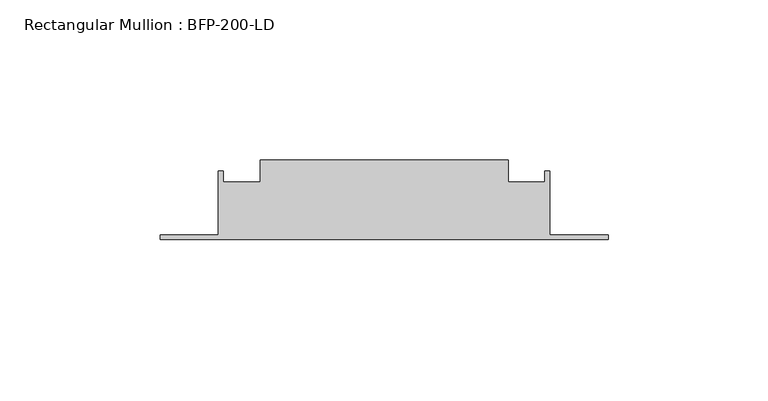
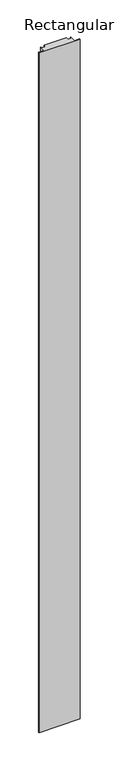
"""IFC4 building model written with IfcOpenShell, lengths in millimetres: member geometry, Rectangular Mullion : BFP-200-LD."""

import ifcopenshell
import ifcopenshell.guid

model = None  # the IFC model being written
_history = None  # IfcOwnerHistory: only IFC2X3 demands one
_inside = {}  # id of a spatial element -> (the spatial element, [elements in it])
_under = {}  # id of a project, library or spatial element -> (it, [spatial elements below it])
_declared = {}  # id of a project -> (the project, [libraries it declares])
_typed = {}  # id of a type object -> (the type object, [elements of that type])
_made_of = {}  # id of a material, layer set ... -> (it, [elements and type objects made of it])


def new_model(schema):
    """Start an empty IFC model of exactly this schema.

    Asked for "IFC4X3", IfcOpenShell would pick the latest addendum, in which some entities
    have other attributes; the version numbers below select the first issue.
    IFC2X3 requires an IfcOwnerHistory on every rooted entity: one is made here for all.
    """
    global model, _history
    if schema == "IFC4X3":
        model = ifcopenshell.file(schema_version=(4, 3, 0, 0))
    else:
        model = ifcopenshell.file(schema=schema)
    _inside.clear()
    _under.clear()
    _declared.clear()
    _typed.clear()
    _made_of.clear()
    _history = None
    if model.schema == "IFC2X3":
        org = make("IfcOrganization", Name="unknown")
        user = make(
            "IfcPersonAndOrganization",
            ThePerson=make("IfcPerson", FamilyName="unknown"),
            TheOrganization=org,
        )
        app = make(
            "IfcApplication",
            ApplicationDeveloper=org,
            Version="unknown",
            ApplicationFullName="unknown",
            ApplicationIdentifier="unknown",
        )
        _history = make(
            "IfcOwnerHistory",
            OwningUser=user,
            OwningApplication=app,
            ChangeAction="ADDED",
            CreationDate=0,
        )
    return model


def make(cls, **values):
    """One entity of the class cls with the attributes given. An attribute that is None is left unset."""
    return model.create_entity(
        cls, **{name: value for name, value in values.items() if value is not None}
    )


def rooted(cls, **values):
    """An entity with a GlobalId (a new one), such as an element, a storey or a relation."""
    return make(cls, GlobalId=ifcopenshell.guid.new(), OwnerHistory=_history, **values)


def si_unit(unit_type, name, prefix=None):
    """IfcSIUnit, for example si_unit("LENGTHUNIT", "METRE", prefix="MILLI")."""
    return make("IfcSIUnit", UnitType=unit_type, Prefix=prefix, Name=name)


def assignment(units):
    """IfcUnitAssignment: the units of a project."""
    return None if units is None else make("IfcUnitAssignment", Units=units)


def point(xyz):
    """IfcCartesianPoint."""
    return None if xyz is None else make("IfcCartesianPoint", Coordinates=xyz)


def direction(xyz):
    """IfcDirection."""
    return None if xyz is None else make("IfcDirection", DirectionRatios=xyz)


def frame(location, z_axis=None, x_axis=None):
    """IfcAxis2Placement3D, a coordinate frame: its origin and axes. An axis left out is left unset."""
    return make(
        "IfcAxis2Placement3D",
        Location=point(location),
        Axis=direction(z_axis),
        RefDirection=direction(x_axis),
    )


def origin():
    """The frame at (0, 0, 0) with its axes left unset."""
    return frame((0.0, 0.0, 0.0))


def place(relative_to, where):
    """IfcLocalPlacement: puts the frame where relative to a parent placement (None: the world)."""
    return make(
        "IfcLocalPlacement", PlacementRelTo=relative_to, RelativePlacement=where
    )


def context(
    kind, dimensions, precision=None, world=None, true_north=None, identifier=None
):
    """IfcGeometricRepresentationContext, for example the 3D "Model" context."""
    return make(
        "IfcGeometricRepresentationContext",
        ContextIdentifier=identifier,
        ContextType=kind,
        CoordinateSpaceDimension=dimensions,
        Precision=precision,
        WorldCoordinateSystem=world,
        TrueNorth=true_north,
    )


def project(units=None, contexts=None):
    """IfcProject with its units and contexts."""
    return rooted(
        "IfcProject",
        Name="project",
        RepresentationContexts=contexts,
        UnitsInContext=assignment(units),
    )


def spatial(cls, under=None, at=None, **own):
    """A site, building, storey or space (cls), placed at a placement, below another one or the project."""
    s = rooted(cls, ObjectPlacement=at, **own)
    if under is not None:
        _under.setdefault(under.id(), (under, []))[1].append(s)
    return s


def polyline(points):
    """IfcPolyline through the points."""
    return make("IfcPolyline", Points=[point(p) for p in points])


def outline(outer, holes=None, kind="AREA"):
    """IfcArbitraryClosedProfileDef: a profile drawn as a closed curve; with holes, ...WithVoids."""
    if holes is None:
        return make("IfcArbitraryClosedProfileDef", ProfileType=kind, OuterCurve=outer)
    return make(
        "IfcArbitraryProfileDefWithVoids",
        ProfileType=kind,
        OuterCurve=outer,
        InnerCurves=holes,
    )


def extrude(swept, where, along, depth):
    """IfcExtrudedAreaSolid: the profile swept, set in the frame where, extruded along a direction by depth."""
    return make(
        "IfcExtrudedAreaSolid",
        SweptArea=swept,
        Position=where,
        ExtrudedDirection=direction(along),
        Depth=depth,
    )


def shape(context_of_items, identifier, shape_type, items):
    """IfcShapeRepresentation: the items that make up one representation, for example the "Body"."""
    return make(
        "IfcShapeRepresentation",
        ContextOfItems=context_of_items,
        RepresentationIdentifier=identifier,
        RepresentationType=shape_type,
        Items=items,
    )


def source(mapping_origin, context_of_items, identifier, shape_type, items):
    """IfcRepresentationMap: a shape defined once, which mapped items show again and again."""
    return make(
        "IfcRepresentationMap",
        MappingOrigin=mapping_origin,
        MappedRepresentation=shape(context_of_items, identifier, shape_type, items),
    )


def transform(
    local_origin,
    x_axis=None,
    y_axis=None,
    z_axis=None,
    scale=None,
    scale2=None,
    scale3=None,
    uniform=True,
):
    """IfcCartesianTransformationOperator3D, or its non-uniform kind. x_axis, y_axis, z_axis: its Axis1, 2, 3."""
    if uniform:
        return make(
            "IfcCartesianTransformationOperator3D",
            Axis1=direction(x_axis),
            Axis2=direction(y_axis),
            LocalOrigin=point(local_origin),
            Scale=scale,
            Axis3=direction(z_axis),
        )
    return make(
        "IfcCartesianTransformationOperator3DnonUniform",
        Axis1=direction(x_axis),
        Axis2=direction(y_axis),
        LocalOrigin=point(local_origin),
        Scale=scale,
        Axis3=direction(z_axis),
        Scale2=scale2,
        Scale3=scale3,
    )


def mapped(mapping_source, mapping_target):
    """IfcMappedItem: shows the shape of a source again, moved by a transform."""
    return make(
        "IfcMappedItem", MappingSource=mapping_source, MappingTarget=mapping_target
    )


def made_of(thing, what):
    """Note that an element or type object is made of a material, layer set ...; save() writes the relation."""
    if what is not None:
        _made_of.setdefault(what.id(), (what, []))[1].append(thing)
    return thing


def element(
    cls,
    number,
    at=None,
    inside=None,
    cuts=None,
    type_object=None,
    material=None,
    context=None,
    identifier="Body",
    shape_type=None,
    held_by="IfcProductDefinitionShape",
    body=None,
    shapes=None,
    **own,
):
    """One element of the class cls, such as IfcWall. Its Tag is "e" and its number.

    at: its placement. inside: the storey or other place that contains it. cuts: it is an
    opening in that element (IfcRelVoidsElement). A single representation is given by context,
    identifier, shape_type and body (its items); several are given by shapes. held_by: the class
    of the entity that holds the representations. save() writes the other relations.
    """
    e = rooted(cls, Tag="e%d" % number, ObjectPlacement=at, **own)
    if body is not None:
        shapes = [shape(context, identifier, shape_type, body)]
    if shapes is not None:
        e.Representation = make(held_by, Representations=shapes)
    if inside is not None:
        _inside.setdefault(inside.id(), (inside, []))[1].append(e)
    if cuts is not None:
        rooted(
            "IfcRelVoidsElement", RelatingBuildingElement=cuts, RelatedOpeningElement=e
        )
    if type_object is not None:
        _typed.setdefault(type_object.id(), (type_object, []))[1].append(e)
    return made_of(e, material)


def aggregate(whole, parts):
    """IfcRelAggregates: a whole, such as a stair, and the parts it consists of."""
    return rooted("IfcRelAggregates", RelatingObject=whole, RelatedObjects=parts)


def save(model, path):
    """Write the relations noted so far, then the file.

    IfcRelAggregates (storeys below a building ...), IfcRelContainedInSpatialStructure (elements
    in a storey), IfcRelDefinesByType, IfcRelAssociatesMaterial and IfcRelDeclares: one each for
    every whole, place, type object, material and project.
    """
    for whole, parts in _under.values():
        aggregate(whole, parts)
    for where, things in _inside.values():
        rooted(
            "IfcRelContainedInSpatialStructure",
            RelatedElements=things,
            RelatingStructure=where,
        )
    for kind, things in _typed.values():
        rooted("IfcRelDefinesByType", RelatedObjects=things, RelatingType=kind)
    for what, things in _made_of.values():
        rooted("IfcRelAssociatesMaterial", RelatedObjects=things, RelatingMaterial=what)
    for by, libraries in _declared.values():
        rooted("IfcRelDeclares", RelatingContext=by, RelatedDefinitions=libraries)
    model.write(path)


def rectangular_mullion_bfp_200_ld_35078385(model_context):
    return source(origin(), model_context, "Body", "SweptSolid", [
        extrude(outline(polyline([(-38.75, 45.0), (38.75, 45.0), (38.75, 38.0), (50.25, 38.0), (50.25, 41.5), (51.75, 41.5), (51.75, 21.5), (70.0, 21.5), (70.0, 20.0), (-70.0, 20.0), (-70.0, 21.5), (-51.75, 21.5), (-51.75, 41.5), (-50.25, 41.5), (-50.25, 38.0), (-38.75, 38.0), (-38.75, 45.0)])), frame((0.0, 0.0, -2450.0), z_axis=(0.0, 0.0, 1.0), x_axis=(1.0, 0.0, 0.0)), (0.0, 0.0, 1.0), 2450.0),
    ])


if __name__ == "__main__":
    model = new_model("IFC4")
    model_context = context("Model", 3, world=origin())
    ifc_project = project(units=[si_unit("LENGTHUNIT", "METRE", prefix="MILLI")], contexts=[model_context])
    site = spatial("IfcSite", under=ifc_project)
    building = spatial("IfcBuilding", under=site)
    placement = place(None, origin())
    rectangular_mullion_bfp_200_ld_shape = rectangular_mullion_bfp_200_ld_35078385(model_context)
    element("IfcMember", 1, ObjectType="Rectangular Mullion : BFP-200-LD", at=placement, inside=building, context=model_context, shape_type="MappedRepresentation", body=[
        mapped(rectangular_mullion_bfp_200_ld_shape, transform((0.0, 0.0, 0.0), x_axis=(1.0, 0.0, 0.0), y_axis=(0.0, 1.0, 0.0), z_axis=(0.0, 0.0, 1.0))),
    ])
    save(model, "model.ifc")
